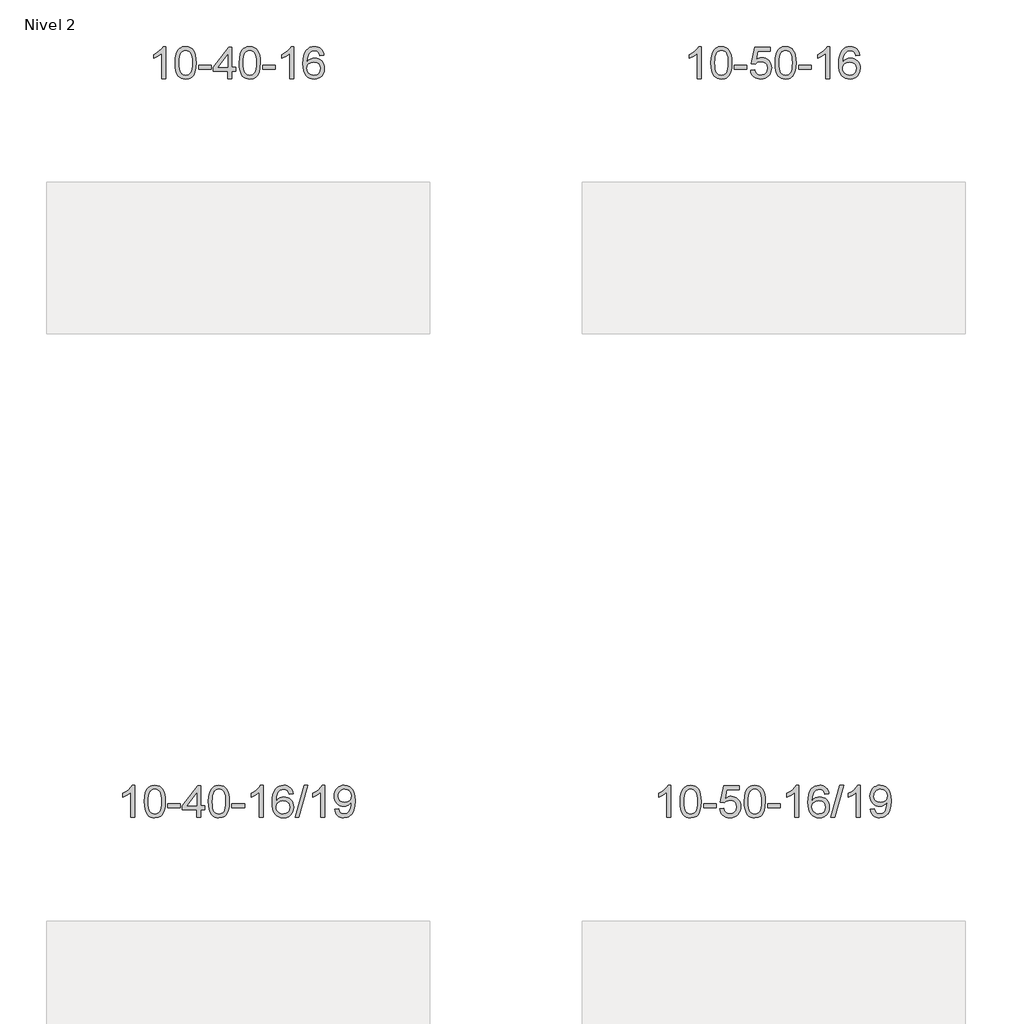
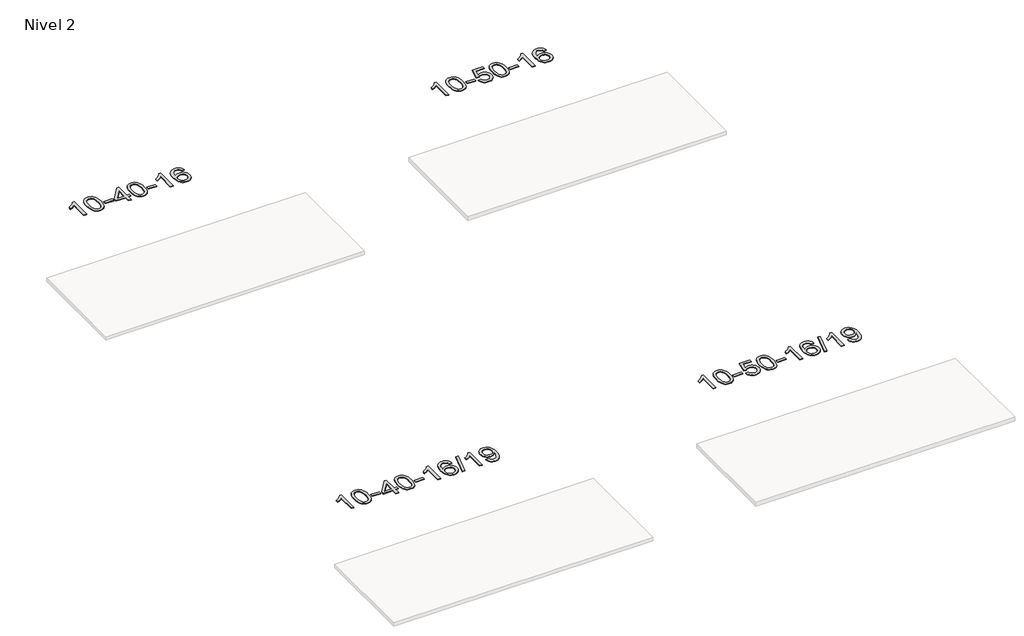
# One storey, part 4 of 51: 4 proxies.
"""IFC4 building model written with IfcOpenShell, lengths in millimetres."""

from ifc_helpers import new_model, si_unit, frame, origin, place, context, project, spatial, polyline, outline, extrude, element, save

model = new_model("IFC4")

# Units and contexts
model_context = context("Model", 3, world=origin())
ifc_project = project(units=[si_unit("LENGTHUNIT", "METRE", prefix="MILLI")], contexts=[model_context])

# Site, building, storey
site = spatial("IfcSite", under=ifc_project)
building = spatial("IfcBuilding", under=site)
storey = spatial("IfcBuildingStorey", under=building, Name="Nivel 2", Elevation=3000.0)

# Proxies
placement = place(None, origin())
element("IfcBuildingElementProxy", 1, Name="Texto de modelo 1", ObjectType="Texto de modelo 1", at=placement, inside=storey, context=model_context, shape_type="SweptSolid", body=[
    extrude(outline(polyline([(-8605.2655998, -130180.5895642), (-8655.4937549, -130180.5895642), (-8655.4937549, -129867.4484099), (-8676.4630286, -129884.4077699), (-8703.0731596, -129901.3426044), (-8755.950065, -129926.7019366), (-8755.950065, -129879.2206338), (-8716.5008524, -129857.7608507), (-8682.3246151, -129832.2298403), (-8655.3833903, -129805.080149), (-8637.6392154, -129778.7643236), (-8605.2655998, -129778.7643236), (-8605.2655998, -130180.5895642)])), frame((0.0, 0.0, 3000.0), z_axis=(0.0, 0.0, 1.0), x_axis=(1.0, 0.0, 0.0)), (0.0, 0.0, 1.0), 10.0),
    extrude(outline(polyline([(-8485.9737315, -129982.9143055), (-8482.2826488, -129918.59627), (-8471.2094008, -129867.3012571), (-8452.8643519, -129828.244452), (-8441.006289, -129813.0110717), (-8427.357867, -129800.6410396), (-8411.8731006, -129791.0699764), (-8394.5060048, -129784.2335026), (-8354.1248244, -129778.7643236), (-8323.1736859, -129782.0016852), (-8295.4599089, -129791.7137699), (-8272.2833433, -129807.5204329), (-8254.9438385, -129829.0415296), (-8241.8472395, -129856.093119), (-8231.3993909, -129888.4912601), (-8224.5567857, -129929.6327299), (-8222.2759174, -129982.9143055), (-8225.9302119, -130046.864459), (-8236.8930953, -130098.0368445), (-8255.1277795, -130137.1304379), (-8266.9582514, -130152.4098034), (-8280.5974763, -130164.8442148), (-8296.1006368, -130174.4796574), (-8313.5229149, -130181.3621164), (-8354.1248244, -130186.8680836), (-8381.7895505, -130184.4768507), (-8406.3150168, -130177.3031517), (-8427.7012235, -130165.3469869), (-8445.9481704, -130148.6083561), (-8463.4593534, -130118.350062), (-8475.9673412, -130080.6482889), (-8483.4721339, -130035.5030367), (-8485.9737315, -129982.9143055)]), holes=[polyline([(-8435.7455764, -129982.8162036), (-8434.2740485, -130026.4807308), (-8429.8594645, -130061.8249935), (-8422.5018246, -130088.8489917), (-8412.2011287, -130107.5527255), (-8399.7421918, -130120.2783768), (-8385.9098288, -130129.3681278), (-8370.7040397, -130134.8219784), (-8354.1248244, -130136.6399285), (-8337.5456092, -130134.815847), (-8322.3398201, -130129.3436023), (-8308.507457, -130120.2231945), (-8296.0485201, -130107.4546236), (-8285.7478243, -130088.720233), (-8278.3901844, -130061.7023661), (-8273.9756004, -130026.401023), (-8272.5040724, -129982.8162036), (-8273.9265495, -129940.3074391), (-8278.1939806, -129905.5855101), (-8285.3063659, -129878.6504167), (-8295.2637052, -129859.5021588), (-8307.5141757, -129846.1541738), (-8321.5059542, -129836.6198987), (-8337.2390409, -129830.8993337), (-8354.7134356, -129828.9924787), (-8371.2068118, -129830.6724732), (-8386.1550835, -129835.7124565), (-8399.5582508, -129844.1124287), (-8411.4163138, -129855.8723898), (-8422.0603662, -129876.7190362), (-8429.6632608, -129904.8252207), (-8434.2249975, -129940.1909431), (-8435.7455764, -129982.8162036)])]), frame((0.0, 0.0, 3000.0), z_axis=(0.0, 0.0, 1.0), x_axis=(1.0, 0.0, 0.0)), (0.0, 0.0, 1.0), 10.0),
    extrude(outline(polyline([(-8190.8833205, -130061.2976959), (-8190.8833205, -130011.0695409), (-8033.9203358, -130011.0695409), (-8033.9203358, -130061.2976959), (-8190.8833205, -130061.2976959)])), frame((0.0, 0.0, 3000.0), z_axis=(0.0, 0.0, 1.0), x_axis=(1.0, 0.0, 0.0)), (0.0, 0.0, 1.0), 10.0),
    extrude(outline(polyline([(-7826.7291962, -130180.5895642), (-7826.7291962, -130086.4117735), (-8008.8062583, -130086.4117735), (-8008.8062583, -130036.1836184), (-7814.1721574, -129785.042843), (-7776.5010411, -129785.042843), (-7776.5010411, -130036.1836184), (-7726.272886, -130036.1836184), (-7726.272886, -130086.4117735), (-7776.5010411, -130086.4117735), (-7776.5010411, -130180.5895642), (-7826.7291962, -130180.5895642)]), holes=[polyline([(-7826.7291962, -130036.1836184), (-7826.7291962, -129880.9864674), (-7947.0020831, -130036.1836184), (-7826.7291962, -130036.1836184)])]), frame((0.0, 0.0, 3000.0), z_axis=(0.0, 0.0, 1.0), x_axis=(1.0, 0.0, 0.0)), (0.0, 0.0, 1.0), 10.0),
    extrude(outline(polyline([(-7682.3232503, -129982.9143055), (-7678.6321676, -129918.59627), (-7667.5589196, -129867.3012571), (-7649.2138708, -129828.244452), (-7637.3558078, -129813.0110717), (-7623.7073858, -129800.6410396), (-7608.2226194, -129791.0699764), (-7590.8555236, -129784.2335026), (-7550.4743432, -129778.7643236), (-7519.5232047, -129782.0016852), (-7491.8094277, -129791.7137699), (-7468.6328621, -129807.5204329), (-7451.2933573, -129829.0415296), (-7438.1967583, -129856.093119), (-7427.7489097, -129888.4912601), (-7420.9063045, -129929.6327299), (-7418.6254362, -129982.9143055), (-7422.2797307, -130046.864459), (-7433.2426141, -130098.0368445), (-7451.4772983, -130137.1304379), (-7463.3077702, -130152.4098034), (-7476.9469951, -130164.8442148), (-7492.4501556, -130174.4796574), (-7509.8724337, -130181.3621164), (-7550.4743432, -130186.8680836), (-7578.1390693, -130184.4768507), (-7602.6645356, -130177.3031517), (-7624.0507423, -130165.3469869), (-7642.2976892, -130148.6083561), (-7659.8088722, -130118.350062), (-7672.31686, -130080.6482889), (-7679.8216528, -130035.5030367), (-7682.3232503, -129982.9143055)]), holes=[polyline([(-7632.0950952, -129982.8162036), (-7630.6235673, -130026.4807308), (-7626.2089833, -130061.8249935), (-7618.8513434, -130088.8489917), (-7608.5506476, -130107.5527255), (-7596.0917106, -130120.2783768), (-7582.2593476, -130129.3681278), (-7567.0535585, -130134.8219784), (-7550.4743432, -130136.6399285), (-7533.895128, -130134.815847), (-7518.6893389, -130129.3436023), (-7504.8569758, -130120.2231945), (-7492.3980389, -130107.4546236), (-7482.0973431, -130088.720233), (-7474.7397032, -130061.7023661), (-7470.3251192, -130026.401023), (-7468.8535913, -129982.8162036), (-7470.2760683, -129940.3074391), (-7474.5434994, -129905.5855101), (-7481.6558847, -129878.6504167), (-7491.613224, -129859.5021588), (-7503.8636945, -129846.1541738), (-7517.855473, -129836.6198987), (-7533.5885597, -129830.8993337), (-7551.0629544, -129828.9924787), (-7567.5563306, -129830.6724732), (-7582.5046023, -129835.7124565), (-7595.9077697, -129844.1124287), (-7607.7658326, -129855.8723898), (-7618.409885, -129876.7190362), (-7626.0127796, -129904.8252207), (-7630.5745163, -129940.1909431), (-7632.0950952, -129982.8162036)])]), frame((0.0, 0.0, 3000.0), z_axis=(0.0, 0.0, 1.0), x_axis=(1.0, 0.0, 0.0)), (0.0, 0.0, 1.0), 10.0),
    extrude(outline(polyline([(-7387.2328393, -130061.2976959), (-7387.2328393, -130011.0695409), (-7230.2698546, -130011.0695409), (-7230.2698546, -130061.2976959), (-7387.2328393, -130061.2976959)])), frame((0.0, 0.0, 3000.0), z_axis=(0.0, 0.0, 1.0), x_axis=(1.0, 0.0, 0.0)), (0.0, 0.0, 1.0), 10.0),
    extrude(outline(polyline([(-6997.9646374, -130180.5895642), (-7048.1927925, -130180.5895642), (-7048.1927925, -129867.4484099), (-7069.1620662, -129884.4077699), (-7095.7721972, -129901.3426044), (-7148.6491026, -129926.7019366), (-7148.6491026, -129879.2206338), (-7109.19989, -129857.7608507), (-7075.0236527, -129832.2298403), (-7048.0824279, -129805.080149), (-7030.338253, -129778.7643236), (-6997.9646374, -129778.7643236), (-6997.9646374, -130180.5895642)])), frame((0.0, 0.0, 3000.0), z_axis=(0.0, 0.0, 1.0), x_axis=(1.0, 0.0, 0.0)), (0.0, 0.0, 1.0), 10.0),
    extrude(outline(polyline([(-6621.2534744, -129885.4991532), (-6671.4816294, -129891.7776726), (-6679.5750333, -129866.8843242), (-6690.5133913, -129849.888176), (-6713.2975496, -129834.216403), (-6740.8396483, -129828.9924787), (-6764.1878922, -129832.0336365), (-6786.1627101, -129841.15711), (-6805.0350564, -129860.3728129), (-6820.449312, -129886.8235284), (-6830.8603725, -129924.2371273), (-6834.7231334, -129976.3414805), (-6814.5754628, -129952.833821), (-6790.4301412, -129936.2668685), (-6763.6360692, -129926.4444192), (-6735.5421475, -129923.1702695), (-6711.4090886, -129925.4082183), (-6689.1399652, -129932.1220647), (-6668.7347772, -129943.3118087), (-6650.1935247, -129958.9774503), (-6634.7854004, -129978.1870219), (-6623.7795974, -130000.0085555), (-6617.1761156, -130024.4420514), (-6614.974955, -130051.4875094), (-6619.1197588, -130087.4541058), (-6631.5541702, -130120.7964773), (-6651.2481197, -130149.07434), (-6677.1715376, -130169.84741), (-6708.1472016, -130182.6129152), (-6742.9978893, -130186.8680836), (-6772.940418, -130184.047655), (-6799.9828104, -130175.5863691), (-6824.1250663, -130161.484226), (-6845.3671858, -130141.7412255), (-6862.6852307, -130115.523502), (-6875.0552628, -130081.9971895), (-6882.4772821, -130041.1622881), (-6884.9512885, -129993.0187976), (-6882.2044363, -129939.0443776), (-6873.9638796, -129892.9794204), (-6860.2296184, -129854.8239261), (-6841.0016528, -129824.5778948), (-6820.1611378, -129804.5344574), (-6795.9974221, -129790.2177164), (-6768.5105057, -129781.6276718), (-6737.7003886, -129778.7643236), (-6714.5667424, -129780.5362886), (-6693.6281255, -129785.8521834), (-6674.8845379, -129794.7120081), (-6658.3359795, -129807.1157627), (-6644.4300401, -129822.6465143), (-6633.6143094, -129840.8873299), (-6625.8887875, -129861.8382095), (-6621.2534744, -129885.4991532)]), holes=[polyline([(-6834.7231334, -130050.7026945), (-6831.8168657, -130072.9595552), (-6823.0980624, -130094.2108718), (-6809.560005, -130112.4823442), (-6792.1959748, -130125.7996724), (-6771.2389638, -130133.9298645), (-6746.9219639, -130136.6399285), (-6713.7757962, -130131.0235968), (-6699.8606597, -130124.003182), (-6687.7174882, -130114.1746014), (-6677.8674477, -130101.9363937), (-6670.8317046, -130087.6870977), (-6665.2031101, -130053.1552411), (-6670.7581282, -130020.0090733), (-6677.7019008, -130006.3882425), (-6687.4231826, -129994.7355803), (-6699.6031423, -129985.4005746), (-6713.9229489, -129978.7327135), (-6748.9821031, -129973.3984246), (-6782.0792199, -129978.7327135), (-6809.7562087, -129994.7355803), (-6820.6792383, -130006.2349583), (-6828.4814022, -130019.3959367), (-6833.1627006, -130034.2185154), (-6834.7231334, -130050.7026945)])]), frame((0.0, 0.0, 3000.0), z_axis=(0.0, 0.0, 1.0), x_axis=(1.0, 0.0, 0.0)), (0.0, 0.0, 1.0), 10.0),
])
element("IfcBuildingElementProxy", 2, Name="Texto de modelo 1", ObjectType="Texto de modelo 1", at=placement, inside=storey, context=model_context, shape_type="SweptSolid", body=[
    extrude(outline(polyline([(-1890.325065, -130180.5895642), (-1940.5532201, -130180.5895642), (-1940.5532201, -129867.4484099), (-1961.5224938, -129884.4077699), (-1988.1326248, -129901.3426044), (-2041.0095302, -129926.7019366), (-2041.0095302, -129879.2206338), (-2001.5603176, -129857.7608507), (-1967.3840803, -129832.2298403), (-1940.4428555, -129805.080149), (-1922.6986806, -129778.7643236), (-1890.325065, -129778.7643236), (-1890.325065, -130180.5895642)])), frame((0.0, 0.0, 3000.0), z_axis=(0.0, 0.0, 1.0), x_axis=(1.0, 0.0, 0.0)), (0.0, 0.0, 1.0), 10.0),
    extrude(outline(polyline([(-1771.0331967, -129982.9143055), (-1767.342114, -129918.59627), (-1756.268866, -129867.3012571), (-1737.9238171, -129828.244452), (-1726.0657541, -129813.0110717), (-1712.4173321, -129800.6410396), (-1696.9325658, -129791.0699764), (-1679.56547, -129784.2335026), (-1639.1842896, -129778.7643236), (-1608.2331511, -129782.0016852), (-1580.5193741, -129791.7137699), (-1557.3428084, -129807.5204329), (-1540.0033037, -129829.0415296), (-1526.9067047, -129856.093119), (-1516.458856, -129888.4912601), (-1509.6162509, -129929.6327299), (-1507.3353825, -129982.9143055), (-1510.989677, -130046.864459), (-1521.9525605, -130098.0368445), (-1540.1872447, -130137.1304379), (-1552.0177165, -130152.4098034), (-1565.6569415, -130164.8442148), (-1581.1601019, -130174.4796574), (-1598.5823801, -130181.3621164), (-1639.1842896, -130186.8680836), (-1666.8490157, -130184.4768507), (-1691.374482, -130177.3031517), (-1712.7606887, -130165.3469869), (-1731.0076356, -130148.6083561), (-1748.5188186, -130118.350062), (-1761.0268064, -130080.6482889), (-1768.5315991, -130035.5030367), (-1771.0331967, -129982.9143055)]), holes=[polyline([(-1720.8050416, -129982.8162036), (-1719.3335136, -130026.4807308), (-1714.9189297, -130061.8249935), (-1707.5612898, -130088.8489917), (-1697.2605939, -130107.5527255), (-1684.801657, -130120.2783768), (-1670.969294, -130129.3681278), (-1655.7635049, -130134.8219784), (-1639.1842896, -130136.6399285), (-1622.6050744, -130134.815847), (-1607.3992852, -130129.3436023), (-1593.5669222, -130120.2231945), (-1581.1079853, -130107.4546236), (-1570.8072894, -130088.720233), (-1563.4496495, -130061.7023661), (-1559.0350656, -130026.401023), (-1557.5635376, -129982.8162036), (-1558.9860147, -129940.3074391), (-1563.2534458, -129905.5855101), (-1570.3658311, -129878.6504167), (-1580.3231704, -129859.5021588), (-1592.5736408, -129846.1541738), (-1606.5654194, -129836.6198987), (-1622.298506, -129830.8993337), (-1639.7729008, -129828.9924787), (-1656.2662769, -129830.6724732), (-1671.2145487, -129835.7124565), (-1684.617716, -129844.1124287), (-1696.475779, -129855.8723898), (-1707.1198314, -129876.7190362), (-1714.722726, -129904.8252207), (-1719.2844627, -129940.1909431), (-1720.8050416, -129982.8162036)])]), frame((0.0, 0.0, 3000.0), z_axis=(0.0, 0.0, 1.0), x_axis=(1.0, 0.0, 0.0)), (0.0, 0.0, 1.0), 10.0),
    extrude(outline(polyline([(-1475.9427856, -130061.2976959), (-1475.9427856, -130011.0695409), (-1318.979801, -130011.0695409), (-1318.979801, -130061.2976959), (-1475.9427856, -130061.2976959)])), frame((0.0, 0.0, 3000.0), z_axis=(0.0, 0.0, 1.0), x_axis=(1.0, 0.0, 0.0)), (0.0, 0.0, 1.0), 10.0),
    extrude(outline(polyline([(-1275.0301653, -130073.8547347), (-1224.8020103, -130067.5762153), (-1215.5804349, -130097.7302762), (-1199.491729, -130119.3249493), (-1176.6094689, -130132.3111837), (-1147.007231, -130136.6399285), (-1127.8773673, -130135.1346781), (-1111.0038464, -130130.6189266), (-1096.3866685, -130123.0926741), (-1084.0258334, -130112.5559206), (-1074.1972528, -130099.5298323), (-1067.1768381, -130084.5355753), (-1061.5605063, -130048.6425553), (-1066.8212188, -130014.8464627), (-1073.3971095, -130000.9282605), (-1082.6033564, -129988.9966211), (-1094.4706164, -129979.4255579), (-1109.0295464, -129972.5890842), (-1146.2224161, -129967.1199052), (-1170.5884669, -129969.3026717), (-1190.3192046, -129975.8509712), (-1206.0768167, -129985.8818869), (-1218.5234909, -129998.5125021), (-1268.7516459, -129992.2339827), (-1224.8020103, -129785.042843), (-1030.1679093, -129785.042843), (-1030.1679093, -129835.2709981), (-1184.187838, -129835.2709981), (-1205.6721465, -129945.9299022), (-1187.9463657, -129933.2257107), (-1169.7913892, -129924.1512881), (-1151.2072171, -129918.7066346), (-1132.1938493, -129916.8917501), (-1107.7327623, -129919.1419616), (-1085.2643695, -129925.8925962), (-1064.7886708, -129937.1436539), (-1046.3056662, -129952.8951347), (-1031.0048409, -129972.184414), (-1020.0756799, -129994.0488672), (-1013.5181834, -130018.4884944), (-1011.3323512, -130045.5032956), (-1013.3005199, -130071.5248154), (-1019.2050259, -130095.7314507), (-1029.0458693, -130118.1232015), (-1042.82305, -130138.7000677), (-1063.6942218, -130159.7735747), (-1088.0480099, -130174.8260796), (-1115.8844142, -130183.8575826), (-1147.2034347, -130186.8680836), (-1173.123787, -130184.9336375), (-1196.5364103, -130179.130299), (-1217.4413047, -130169.4580682), (-1235.8384701, -130155.9169451), (-1251.1454268, -130139.18138), (-1262.7796949, -130119.9258232), (-1270.7412744, -130098.1502748), (-1275.0301653, -130073.8547347)])), frame((0.0, 0.0, 3000.0), z_axis=(0.0, 0.0, 1.0), x_axis=(1.0, 0.0, 0.0)), (0.0, 0.0, 1.0), 10.0),
    extrude(outline(polyline([(-967.3827155, -129982.9143055), (-963.6916328, -129918.59627), (-952.6183848, -129867.3012571), (-934.2733359, -129828.244452), (-922.415273, -129813.0110717), (-908.7668509, -129800.6410396), (-893.2820846, -129791.0699764), (-875.9149888, -129784.2335026), (-835.5338084, -129778.7643236), (-804.5826699, -129782.0016852), (-776.8688929, -129791.7137699), (-753.6923272, -129807.5204329), (-736.3528225, -129829.0415296), (-723.2562235, -129856.093119), (-712.8083748, -129888.4912601), (-705.9657697, -129929.6327299), (-703.6849014, -129982.9143055), (-707.3391958, -130046.864459), (-718.3020793, -130098.0368445), (-736.5367635, -130137.1304379), (-748.3672353, -130152.4098034), (-762.0064603, -130164.8442148), (-777.5096207, -130174.4796574), (-794.9318989, -130181.3621164), (-835.5338084, -130186.8680836), (-863.1985345, -130184.4768507), (-887.7240008, -130177.3031517), (-909.1102075, -130165.3469869), (-927.3571544, -130148.6083561), (-944.8683374, -130118.350062), (-957.3763252, -130080.6482889), (-964.8811179, -130035.5030367), (-967.3827155, -129982.9143055)]), holes=[polyline([(-917.1545604, -129982.8162036), (-915.6830324, -130026.4807308), (-911.2684485, -130061.8249935), (-903.9108086, -130088.8489917), (-893.6101127, -130107.5527255), (-881.1511758, -130120.2783768), (-867.3188128, -130129.3681278), (-852.1130237, -130134.8219784), (-835.5338084, -130136.6399285), (-818.9545932, -130134.815847), (-803.748804, -130129.3436023), (-789.916441, -130120.2231945), (-777.4575041, -130107.4546236), (-767.1568083, -130088.720233), (-759.7991683, -130061.7023661), (-755.3845844, -130026.401023), (-753.9130564, -129982.8162036), (-755.3355335, -129940.3074391), (-759.6029646, -129905.5855101), (-766.7153499, -129878.6504167), (-776.6726892, -129859.5021588), (-788.9231596, -129846.1541738), (-802.9149382, -129836.6198987), (-818.6480248, -129830.8993337), (-836.1224196, -129828.9924787), (-852.6157957, -129830.6724732), (-867.5640675, -129835.7124565), (-880.9672348, -129844.1124287), (-892.8252978, -129855.8723898), (-903.4693502, -129876.7190362), (-911.0722448, -129904.8252207), (-915.6339815, -129940.1909431), (-917.1545604, -129982.8162036)])]), frame((0.0, 0.0, 3000.0), z_axis=(0.0, 0.0, 1.0), x_axis=(1.0, 0.0, 0.0)), (0.0, 0.0, 1.0), 10.0),
    extrude(outline(polyline([(-672.2923044, -130061.2976959), (-672.2923044, -130011.0695409), (-515.3293198, -130011.0695409), (-515.3293198, -130061.2976959), (-672.2923044, -130061.2976959)])), frame((0.0, 0.0, 3000.0), z_axis=(0.0, 0.0, 1.0), x_axis=(1.0, 0.0, 0.0)), (0.0, 0.0, 1.0), 10.0),
    extrude(outline(polyline([(-283.0241026, -130180.5895642), (-333.2522577, -130180.5895642), (-333.2522577, -129867.4484099), (-354.2215314, -129884.4077699), (-380.8316624, -129901.3426044), (-433.7085678, -129926.7019366), (-433.7085678, -129879.2206338), (-394.2593552, -129857.7608507), (-360.0831179, -129832.2298403), (-333.1418931, -129805.080149), (-315.3977182, -129778.7643236), (-283.0241026, -129778.7643236), (-283.0241026, -130180.5895642)])), frame((0.0, 0.0, 3000.0), z_axis=(0.0, 0.0, 1.0), x_axis=(1.0, 0.0, 0.0)), (0.0, 0.0, 1.0), 10.0),
    extrude(outline(polyline([(93.6870605, -129885.4991532), (43.4589054, -129891.7776726), (35.3655015, -129866.8843242), (24.4271435, -129849.888176), (1.6429853, -129834.216403), (-25.8991134, -129828.9924787), (-49.2473574, -129832.0336365), (-71.2221752, -129841.15711), (-90.0945216, -129860.3728129), (-105.5087772, -129886.8235284), (-115.9198377, -129924.2371273), (-119.7825986, -129976.3414805), (-99.634928, -129952.833821), (-75.4896064, -129936.2668685), (-48.6955344, -129926.4444192), (-20.6016127, -129923.1702695), (3.5314462, -129925.4082183), (25.8005696, -129932.1220647), (46.2057576, -129943.3118087), (64.7470102, -129958.9774503), (80.1551344, -129978.1870219), (91.1609374, -130000.0085555), (97.7644192, -130024.4420514), (99.9655798, -130051.4875094), (95.820776, -130087.4541058), (83.3863646, -130120.7964773), (63.6924151, -130149.07434), (37.7689972, -130169.84741), (6.7933332, -130182.6129152), (-28.0573545, -130186.8680836), (-57.9998832, -130184.047655), (-85.0422755, -130175.5863691), (-109.1845315, -130161.484226), (-130.426651, -130141.7412255), (-147.7446959, -130115.523502), (-160.114728, -130081.9971895), (-167.5367473, -130041.1622881), (-170.0107537, -129993.0187976), (-167.2639015, -129939.0443776), (-159.0233448, -129892.9794204), (-145.2890836, -129854.8239261), (-126.061118, -129824.5778948), (-105.220603, -129804.5344574), (-81.0568872, -129790.2177164), (-53.5699708, -129781.6276718), (-22.7598537, -129778.7643236), (0.3737924, -129780.5362886), (21.3124093, -129785.8521834), (40.0559969, -129794.7120081), (56.6045553, -129807.1157627), (70.5104948, -129822.6465143), (81.3262254, -129840.8873299), (89.0517473, -129861.8382095), (93.6870605, -129885.4991532)]), holes=[polyline([(-119.7825986, -130050.7026945), (-116.8763308, -130072.9595552), (-108.1575276, -130094.2108718), (-94.6194701, -130112.4823442), (-77.25544, -130125.7996724), (-56.298429, -130133.9298645), (-31.9814291, -130136.6399285), (1.1647387, -130131.0235968), (15.0798751, -130124.003182), (27.2230467, -130114.1746014), (37.0730871, -130101.9363937), (44.1088302, -130087.6870977), (49.7374248, -130053.1552411), (44.1824066, -130020.0090733), (37.238634, -130006.3882425), (27.5173523, -129994.7355803), (15.3373925, -129985.4005746), (1.0175859, -129978.7327135), (-34.0415683, -129973.3984246), (-67.1386851, -129978.7327135), (-94.8156739, -129994.7355803), (-105.7387034, -130006.2349583), (-113.5408674, -130019.3959367), (-118.2221658, -130034.2185154), (-119.7825986, -130050.7026945)])]), frame((0.0, 0.0, 3000.0), z_axis=(0.0, 0.0, 1.0), x_axis=(1.0, 0.0, 0.0)), (0.0, 0.0, 1.0), 10.0),
])
element("IfcBuildingElementProxy", 3, Name="Texto de modelo 1", ObjectType="Texto de modelo 1", at=placement, inside=storey, context=model_context, shape_type="SweptSolid", body=[
    extrude(outline(polyline([(-8991.394542, -139438.9702671), (-9041.622697, -139438.9702671), (-9041.622697, -139125.8291128), (-9062.5919708, -139142.7884728), (-9089.2021017, -139159.7233073), (-9142.0790072, -139185.0826395), (-9142.0790072, -139137.6013367), (-9102.6297946, -139116.1415536), (-9068.4535572, -139090.6105432), (-9041.5123324, -139063.4608519), (-9023.7681575, -139037.1450265), (-8991.394542, -139037.1450265), (-8991.394542, -139438.9702671)])), frame((0.0, 0.0, 3000.0), z_axis=(0.0, 0.0, 1.0), x_axis=(1.0, 0.0, 0.0)), (0.0, 0.0, 1.0), 10.0),
    extrude(outline(polyline([(-8872.1026737, -139241.2950084), (-8868.411591, -139176.9769729), (-8857.3383429, -139125.68196), (-8838.9932941, -139086.6251549), (-8827.1352311, -139071.3917746), (-8813.4868091, -139059.0217425), (-8798.0020428, -139049.4506793), (-8780.6349469, -139042.6142055), (-8740.2537666, -139037.1450265), (-8709.3026281, -139040.3823881), (-8681.5888511, -139050.0944728), (-8658.4122854, -139065.9011358), (-8641.0727807, -139087.4222325), (-8627.9761817, -139114.4738219), (-8617.528333, -139146.871963), (-8610.6857279, -139188.0134328), (-8608.4048595, -139241.2950084), (-8612.059154, -139305.2451619), (-8623.0220375, -139356.4175474), (-8641.2567217, -139395.5111408), (-8653.0871935, -139410.7905063), (-8666.7264185, -139423.2249177), (-8682.2295789, -139432.8603603), (-8699.651857, -139439.7428193), (-8740.2537666, -139445.2487865), (-8767.9184926, -139442.8575536), (-8792.443959, -139435.6838546), (-8813.8301656, -139423.7276898), (-8832.0771126, -139406.989059), (-8849.5882955, -139376.7307649), (-8862.0962834, -139339.0289918), (-8869.6010761, -139293.8837396), (-8872.1026737, -139241.2950084)]), holes=[polyline([(-8821.8745186, -139241.1969065), (-8820.4029906, -139284.8614337), (-8815.9884067, -139320.2056964), (-8808.6307668, -139347.2296946), (-8798.3300709, -139365.9334284), (-8785.871134, -139378.6590797), (-8772.038771, -139387.7488307), (-8756.8329818, -139393.2026813), (-8740.2537666, -139395.0206314), (-8723.6745513, -139393.1965499), (-8708.4687622, -139387.7243052), (-8694.6363992, -139378.6038974), (-8682.1774623, -139365.8353265), (-8671.8767664, -139347.1009359), (-8664.5191265, -139320.083069), (-8660.1045426, -139284.7817259), (-8658.6330146, -139241.1969065), (-8660.0554916, -139198.688142), (-8664.3229228, -139163.966213), (-8671.435308, -139137.0311196), (-8681.3926474, -139117.8828617), (-8693.6431178, -139104.5348767), (-8707.6348963, -139095.0006016), (-8723.367983, -139089.2800366), (-8740.8423778, -139087.3731816), (-8757.3357539, -139089.0531761), (-8772.2840256, -139094.0931594), (-8785.687193, -139102.4931316), (-8797.545256, -139114.2530927), (-8808.1893084, -139135.0997391), (-8815.7922029, -139163.2059236), (-8820.3539397, -139198.571646), (-8821.8745186, -139241.1969065)])]), frame((0.0, 0.0, 3000.0), z_axis=(0.0, 0.0, 1.0), x_axis=(1.0, 0.0, 0.0)), (0.0, 0.0, 1.0), 10.0),
    extrude(outline(polyline([(-8577.0122626, -139319.6783988), (-8577.0122626, -139269.4502438), (-8420.049278, -139269.4502438), (-8420.049278, -139319.6783988), (-8577.0122626, -139319.6783988)])), frame((0.0, 0.0, 3000.0), z_axis=(0.0, 0.0, 1.0), x_axis=(1.0, 0.0, 0.0)), (0.0, 0.0, 1.0), 10.0),
    extrude(outline(polyline([(-8212.8581383, -139438.9702671), (-8212.8581383, -139344.7924764), (-8394.9352004, -139344.7924764), (-8394.9352004, -139294.5643213), (-8200.3010995, -139043.4235459), (-8162.6299832, -139043.4235459), (-8162.6299832, -139294.5643213), (-8112.4018281, -139294.5643213), (-8112.4018281, -139344.7924764), (-8162.6299832, -139344.7924764), (-8162.6299832, -139438.9702671), (-8212.8581383, -139438.9702671)]), holes=[polyline([(-8212.8581383, -139294.5643213), (-8212.8581383, -139139.3671703), (-8333.1310253, -139294.5643213), (-8212.8581383, -139294.5643213)])]), frame((0.0, 0.0, 3000.0), z_axis=(0.0, 0.0, 1.0), x_axis=(1.0, 0.0, 0.0)), (0.0, 0.0, 1.0), 10.0),
    extrude(outline(polyline([(-8068.4521925, -139241.2950084), (-8064.7611098, -139176.9769729), (-8053.6878617, -139125.68196), (-8035.3428129, -139086.6251549), (-8023.4847499, -139071.3917746), (-8009.8363279, -139059.0217425), (-7994.3515616, -139049.4506793), (-7976.9844657, -139042.6142055), (-7936.6032854, -139037.1450265), (-7905.6521469, -139040.3823881), (-7877.9383699, -139050.0944728), (-7854.7618042, -139065.9011358), (-7837.4222995, -139087.4222325), (-7824.3257005, -139114.4738219), (-7813.8778518, -139146.871963), (-7807.0352467, -139188.0134328), (-7804.7543783, -139241.2950084), (-7808.4086728, -139305.2451619), (-7819.3715563, -139356.4175474), (-7837.6062405, -139395.5111408), (-7849.4367123, -139410.7905063), (-7863.0759373, -139423.2249177), (-7878.5790977, -139432.8603603), (-7896.0013759, -139439.7428193), (-7936.6032854, -139445.2487865), (-7964.2680114, -139442.8575536), (-7988.7934778, -139435.6838546), (-8010.1796844, -139423.7276898), (-8028.4266314, -139406.989059), (-8045.9378144, -139376.7307649), (-8058.4458022, -139339.0289918), (-8065.9505949, -139293.8837396), (-8068.4521925, -139241.2950084)]), holes=[polyline([(-8018.2240374, -139241.1969065), (-8016.7525094, -139284.8614337), (-8012.3379255, -139320.2056964), (-8004.9802856, -139347.2296946), (-7994.6795897, -139365.9334284), (-7982.2206528, -139378.6590797), (-7968.3882898, -139387.7488307), (-7953.1825006, -139393.2026813), (-7936.6032854, -139395.0206314), (-7920.0240701, -139393.1965499), (-7904.818281, -139387.7243052), (-7890.985918, -139378.6038974), (-7878.5269811, -139365.8353265), (-7868.2262852, -139347.1009359), (-7860.8686453, -139320.083069), (-7856.4540614, -139284.7817259), (-7854.9825334, -139241.1969065), (-7856.4050104, -139198.688142), (-7860.6724416, -139163.966213), (-7867.7848268, -139137.0311196), (-7877.7421662, -139117.8828617), (-7889.9926366, -139104.5348767), (-7903.9844151, -139095.0006016), (-7919.7175018, -139089.2800366), (-7937.1918966, -139087.3731816), (-7953.6852727, -139089.0531761), (-7968.6335444, -139094.0931594), (-7982.0367118, -139102.4931316), (-7993.8947748, -139114.2530927), (-8004.5388272, -139135.0997391), (-8012.1417217, -139163.2059236), (-8016.7034585, -139198.571646), (-8018.2240374, -139241.1969065)])]), frame((0.0, 0.0, 3000.0), z_axis=(0.0, 0.0, 1.0), x_axis=(1.0, 0.0, 0.0)), (0.0, 0.0, 1.0), 10.0),
    extrude(outline(polyline([(-7773.3617814, -139319.6783988), (-7773.3617814, -139269.4502438), (-7616.3987968, -139269.4502438), (-7616.3987968, -139319.6783988), (-7773.3617814, -139319.6783988)])), frame((0.0, 0.0, 3000.0), z_axis=(0.0, 0.0, 1.0), x_axis=(1.0, 0.0, 0.0)), (0.0, 0.0, 1.0), 10.0),
    extrude(outline(polyline([(-7384.0935796, -139438.9702671), (-7434.3217346, -139438.9702671), (-7434.3217346, -139125.8291128), (-7455.2910084, -139142.7884728), (-7481.9011393, -139159.7233073), (-7534.7780448, -139185.0826395), (-7534.7780448, -139137.6013367), (-7495.3288322, -139116.1415536), (-7461.1525948, -139090.6105432), (-7434.21137, -139063.4608519), (-7416.4671951, -139037.1450265), (-7384.0935796, -139037.1450265), (-7384.0935796, -139438.9702671)])), frame((0.0, 0.0, 3000.0), z_axis=(0.0, 0.0, 1.0), x_axis=(1.0, 0.0, 0.0)), (0.0, 0.0, 1.0), 10.0),
    extrude(outline(polyline([(-7007.3824165, -139143.8798561), (-7057.6105716, -139150.1583755), (-7065.7039755, -139125.2650271), (-7076.6423335, -139108.2688789), (-7099.4264917, -139092.5971059), (-7126.9685904, -139087.3731816), (-7150.3168344, -139090.4143394), (-7172.2916522, -139099.5378129), (-7191.1639986, -139118.7535158), (-7206.5782542, -139145.2042313), (-7216.9893146, -139182.6178302), (-7220.8520756, -139234.7221834), (-7200.704405, -139211.2145239), (-7176.5590833, -139194.6475714), (-7149.7650114, -139184.8251221), (-7121.6710897, -139181.5509724), (-7097.5380308, -139183.7889212), (-7075.2689073, -139190.5027676), (-7054.8637193, -139201.6925116), (-7036.3224668, -139217.3581532), (-7020.9143426, -139236.5677248), (-7009.9085395, -139258.3892584), (-7003.3050577, -139282.8227543), (-7001.1038971, -139309.8682123), (-7005.2487009, -139345.8348087), (-7017.6831124, -139379.1771802), (-7037.3770618, -139407.4550429), (-7063.3004798, -139428.2281129), (-7094.2761438, -139440.9936181), (-7129.1268314, -139445.2487865), (-7159.0693602, -139442.4283579), (-7186.1117525, -139433.967072), (-7210.2540084, -139419.8649289), (-7231.496128, -139400.1219284), (-7248.8141729, -139373.9042049), (-7261.184205, -139340.3778924), (-7268.6062242, -139299.542991), (-7271.0802306, -139251.3995005), (-7268.3333784, -139197.4250805), (-7260.0928217, -139151.3601233), (-7246.3585606, -139113.204629), (-7227.130595, -139082.9585977), (-7206.2900799, -139062.9151603), (-7182.1263642, -139048.5984193), (-7154.6394478, -139040.0083747), (-7123.8293307, -139037.1450265), (-7100.6956846, -139038.9169915), (-7079.7570677, -139044.2328863), (-7061.01348, -139053.092711), (-7044.4649216, -139065.4964656), (-7030.5589822, -139081.0272172), (-7019.7432515, -139099.2680328), (-7012.0177296, -139120.2189124), (-7007.3824165, -139143.8798561)]), holes=[polyline([(-7220.8520756, -139309.0833974), (-7217.9458078, -139331.3402581), (-7209.2270045, -139352.5915747), (-7195.6889471, -139370.8630471), (-7178.3249169, -139384.1803753), (-7157.3679059, -139392.3105674), (-7133.0509061, -139395.0206314), (-7099.9047383, -139389.4042997), (-7085.9896018, -139382.3838849), (-7073.8464303, -139372.5553043), (-7063.9963899, -139360.3170966), (-7056.9606467, -139346.0678006), (-7051.3320522, -139311.535944), (-7056.8870703, -139278.3897762), (-7063.830843, -139264.7689454), (-7073.5521247, -139253.1162832), (-7085.7320844, -139243.7812775), (-7100.0518911, -139237.1134164), (-7135.1110452, -139231.7791275), (-7168.2081621, -139237.1134164), (-7195.8851508, -139253.1162832), (-7206.8081804, -139264.6156612), (-7214.6103444, -139277.7766396), (-7219.2916428, -139292.5992183), (-7220.8520756, -139309.0833974)])]), frame((0.0, 0.0, 3000.0), z_axis=(0.0, 0.0, 1.0), x_axis=(1.0, 0.0, 0.0)), (0.0, 0.0, 1.0), 10.0),
    extrude(outline(polyline([(-6982.268339, -139438.9702671), (-6869.25499, -139037.1450265), (-6823.9319282, -139037.1450265), (-6936.9452772, -139438.9702671), (-6982.268339, -139438.9702671)])), frame((0.0, 0.0, 3000.0), z_axis=(0.0, 0.0, 1.0), x_axis=(1.0, 0.0, 0.0)), (0.0, 0.0, 1.0), 10.0),
    extrude(outline(polyline([(-6611.8356953, -139438.9702671), (-6662.0638504, -139438.9702671), (-6662.0638504, -139125.8291128), (-6683.0331241, -139142.7884728), (-6709.6432551, -139159.7233073), (-6762.5201605, -139185.0826395), (-6762.5201605, -139137.6013367), (-6723.0709479, -139116.1415536), (-6688.8947105, -139090.6105432), (-6661.9534858, -139063.4608519), (-6644.2093109, -139037.1450265), (-6611.8356953, -139037.1450265), (-6611.8356953, -139438.9702671)])), frame((0.0, 0.0, 3000.0), z_axis=(0.0, 0.0, 1.0), x_axis=(1.0, 0.0, 0.0)), (0.0, 0.0, 1.0), 10.0),
    extrude(outline(polyline([(-6486.2653076, -139338.513957), (-6436.0371525, -139332.2354376), (-6427.4532393, -139360.7462922), (-6413.4737235, -139380.1581988), (-6394.4419616, -139391.3050233), (-6370.7013102, -139395.0206314), (-6349.4009427, -139392.6293985), (-6330.038087, -139385.4556996), (-6313.9493811, -139374.2843497), (-6302.4714628, -139359.9001636), (-6286.0394004, -139316.2448335), (-6280.5947468, -139287.8443435), (-6278.7798623, -139257.9723255), (-6279.0741679, -139248.162139), (-6296.4749863, -139269.4011928), (-6319.2468818, -139286.2256627), (-6345.7466482, -139297.1885462), (-6374.3310792, -139300.8428407), (-6398.1912923, -139298.6110232), (-6420.1323876, -139291.9155709), (-6440.1543652, -139280.7564837), (-6458.257225, -139265.1337617), (-6473.2576134, -139245.8628765), (-6483.9721765, -139223.7593), (-6490.4009144, -139198.8230321), (-6492.543827, -139171.0540728), (-6490.2966811, -139142.3592772), (-6483.5552436, -139116.6075375), (-6472.3195143, -139093.7988538), (-6456.5894933, -139073.9332261), (-6437.474958, -139057.8383888), (-6416.0856857, -139046.3420764), (-6392.4216763, -139039.444289), (-6366.48293, -139037.1450265), (-6329.0202801, -139042.3934763), (-6294.9176192, -139058.1388257), (-6266.3945018, -139083.5962598), (-6245.6704828, -139117.9809636), (-6233.0521303, -139165.5113174), (-6228.8460128, -139230.4057013), (-6233.0398676, -139299.2118972), (-6245.6214318, -139352.3953709), (-6266.4803409, -139392.3596183), (-6279.9724131, -139408.2858431), (-6295.5062304, -139421.5081351), (-6312.769093, -139431.8946701), (-6331.4483013, -139439.3136237), (-6373.055755, -139445.2487865), (-6395.6130526, -139443.4982814), (-6415.9998465, -139438.2467659), (-6434.2161366, -139429.4942401), (-6450.261923, -139417.240704), (-6463.7325354, -139401.8172513), (-6474.2233036, -139383.5549759), (-6481.7342277, -139362.4538778), (-6486.2653076, -139338.513957)]), holes=[polyline([(-6279.0741679, -139169.8768504), (-6284.494296, -139135.8355031), (-6291.2694561, -139121.7578854), (-6300.7546802, -139109.6423051), (-6312.4839844, -139099.8995636), (-6325.991385, -139092.9404625), (-6358.3404751, -139087.3731816), (-6375.94976, -139088.8723007), (-6391.8913131, -139093.3696581), (-6406.1651345, -139100.8652538), (-6418.7712242, -139111.3590877), (-6429.0719201, -139124.2380232), (-6436.42956, -139138.8889237), (-6440.8441439, -139155.3117891), (-6442.3156719, -139173.5066194), (-6436.748391, -139204.5435971), (-6429.78929, -139217.6616559), (-6420.0465485, -139229.179428), (-6407.9248367, -139238.5573532), (-6393.8288249, -139245.2558712), (-6359.7139013, -139250.6146856), (-6327.6223285, -139245.2558712), (-6301.7847498, -139229.179428), (-6291.8488702, -139217.4347953), (-6284.7518134, -139203.6361548), (-6279.0741679, -139169.8768504)])]), frame((0.0, 0.0, 3000.0), z_axis=(0.0, 0.0, 1.0), x_axis=(1.0, 0.0, 0.0)), (0.0, 0.0, 1.0), 10.0),
])
element("IfcBuildingElementProxy", 4, Name="Texto de modelo 1", ObjectType="Texto de modelo 1", at=placement, inside=storey, context=model_context, shape_type="SweptSolid", body=[
    extrude(outline(polyline([(-2276.4540071, -139438.9702671), (-2326.6821622, -139438.9702671), (-2326.6821622, -139125.8291128), (-2347.6514359, -139142.7884728), (-2374.2615669, -139159.7233073), (-2427.1384724, -139185.0826395), (-2427.1384724, -139137.6013367), (-2387.6892597, -139116.1415536), (-2353.5130224, -139090.6105432), (-2326.5717976, -139063.4608519), (-2308.8276227, -139037.1450265), (-2276.4540071, -139037.1450265), (-2276.4540071, -139438.9702671)])), frame((0.0, 0.0, 3000.0), z_axis=(0.0, 0.0, 1.0), x_axis=(1.0, 0.0, 0.0)), (0.0, 0.0, 1.0), 10.0),
    extrude(outline(polyline([(-2157.1621388, -139241.2950084), (-2153.4710561, -139176.9769729), (-2142.3978081, -139125.68196), (-2124.0527593, -139086.6251549), (-2112.1946963, -139071.3917746), (-2098.5462743, -139059.0217425), (-2083.061508, -139049.4506793), (-2065.6944121, -139042.6142055), (-2025.3132318, -139037.1450265), (-1994.3620932, -139040.3823881), (-1966.6483163, -139050.0944728), (-1943.4717506, -139065.9011358), (-1926.1322459, -139087.4222325), (-1913.0356468, -139114.4738219), (-1902.5877982, -139146.871963), (-1895.7451931, -139188.0134328), (-1893.4643247, -139241.2950084), (-1897.1186192, -139305.2451619), (-1908.0815026, -139356.4175474), (-1926.3161869, -139395.5111408), (-1938.1466587, -139410.7905063), (-1951.7858837, -139423.2249177), (-1967.2890441, -139432.8603603), (-1984.7113222, -139439.7428193), (-2025.3132318, -139445.2487865), (-2052.9779578, -139442.8575536), (-2077.5034241, -139435.6838546), (-2098.8896308, -139423.7276898), (-2117.1365778, -139406.989059), (-2134.6477607, -139376.7307649), (-2147.1557486, -139339.0289918), (-2154.6605413, -139293.8837396), (-2157.1621388, -139241.2950084)]), holes=[polyline([(-2106.9339838, -139241.1969065), (-2105.4624558, -139284.8614337), (-2101.0478718, -139320.2056964), (-2093.6902319, -139347.2296946), (-2083.3895361, -139365.9334284), (-2070.9305992, -139378.6590797), (-2057.0982361, -139387.7488307), (-2041.892447, -139393.2026813), (-2025.3132318, -139395.0206314), (-2008.7340165, -139393.1965499), (-1993.5282274, -139387.7243052), (-1979.6958644, -139378.6038974), (-1967.2369275, -139365.8353265), (-1956.9362316, -139347.1009359), (-1949.5785917, -139320.083069), (-1945.1640077, -139284.7817259), (-1943.6924798, -139241.1969065), (-1945.1149568, -139198.688142), (-1949.382388, -139163.966213), (-1956.4947732, -139137.0311196), (-1966.4521125, -139117.8828617), (-1978.702583, -139104.5348767), (-1992.6943615, -139095.0006016), (-2008.4274482, -139089.2800366), (-2025.9018429, -139087.3731816), (-2042.3952191, -139089.0531761), (-2057.3434908, -139094.0931594), (-2070.7466582, -139102.4931316), (-2082.6047211, -139114.2530927), (-2093.2487735, -139135.0997391), (-2100.8516681, -139163.2059236), (-2105.4134048, -139198.571646), (-2106.9339838, -139241.1969065)])]), frame((0.0, 0.0, 3000.0), z_axis=(0.0, 0.0, 1.0), x_axis=(1.0, 0.0, 0.0)), (0.0, 0.0, 1.0), 10.0),
    extrude(outline(polyline([(-1862.0717278, -139319.6783988), (-1862.0717278, -139269.4502438), (-1705.1087432, -139269.4502438), (-1705.1087432, -139319.6783988), (-1862.0717278, -139319.6783988)])), frame((0.0, 0.0, 3000.0), z_axis=(0.0, 0.0, 1.0), x_axis=(1.0, 0.0, 0.0)), (0.0, 0.0, 1.0), 10.0),
    extrude(outline(polyline([(-1661.1591075, -139332.2354376), (-1610.9309524, -139325.9569182), (-1601.709377, -139356.1109791), (-1585.6206711, -139377.7056522), (-1562.738411, -139390.6918866), (-1533.1361731, -139395.0206314), (-1514.0063094, -139393.515381), (-1497.1327885, -139388.9996295), (-1482.5156106, -139381.473377), (-1470.1547756, -139370.9366235), (-1460.3261949, -139357.9105352), (-1453.3057802, -139342.9162782), (-1447.6894484, -139307.0232582), (-1452.9501609, -139273.2271656), (-1459.5260516, -139259.3089634), (-1468.7322985, -139247.3773241), (-1480.5995585, -139237.8062608), (-1495.1584885, -139230.9697871), (-1532.3513582, -139225.5006081), (-1556.717409, -139227.6833746), (-1576.4481467, -139234.2316741), (-1592.2057588, -139244.2625898), (-1604.652433, -139256.893205), (-1654.8805881, -139250.6146856), (-1610.9309524, -139043.4235459), (-1416.2968515, -139043.4235459), (-1416.2968515, -139093.651701), (-1570.3167801, -139093.651701), (-1591.8010886, -139204.3106051), (-1574.0753078, -139191.6064136), (-1555.9203314, -139182.531991), (-1537.3361593, -139177.0873375), (-1518.3227915, -139175.272453), (-1493.8617045, -139177.5226645), (-1471.3933116, -139184.2732991), (-1450.9176129, -139195.5243568), (-1432.4346083, -139211.2758376), (-1417.133783, -139230.5651169), (-1406.2046221, -139252.4295701), (-1399.6471255, -139276.8691973), (-1397.4612933, -139303.8839985), (-1399.429462, -139329.9055183), (-1405.333968, -139354.1121536), (-1415.1748114, -139376.5039044), (-1428.9519921, -139397.0807706), (-1449.823164, -139418.1542776), (-1474.176952, -139433.2067825), (-1502.0133564, -139442.2382855), (-1533.3323769, -139445.2487865), (-1559.2527291, -139443.3143404), (-1582.6653524, -139437.5110019), (-1603.5702468, -139427.8387711), (-1621.9674122, -139414.297648), (-1637.2743689, -139397.5620829), (-1648.908637, -139378.3065261), (-1656.8702165, -139356.5309777), (-1661.1591075, -139332.2354376)])), frame((0.0, 0.0, 3000.0), z_axis=(0.0, 0.0, 1.0), x_axis=(1.0, 0.0, 0.0)), (0.0, 0.0, 1.0), 10.0),
    extrude(outline(polyline([(-1353.5116576, -139241.2950084), (-1349.8205749, -139176.9769729), (-1338.7473269, -139125.68196), (-1320.4022781, -139086.6251549), (-1308.5442151, -139071.3917746), (-1294.8957931, -139059.0217425), (-1279.4110268, -139049.4506793), (-1262.0439309, -139042.6142055), (-1221.6627506, -139037.1450265), (-1190.711612, -139040.3823881), (-1162.9978351, -139050.0944728), (-1139.8212694, -139065.9011358), (-1122.4817647, -139087.4222325), (-1109.3851656, -139114.4738219), (-1098.937317, -139146.871963), (-1092.0947119, -139188.0134328), (-1089.8138435, -139241.2950084), (-1093.468138, -139305.2451619), (-1104.4310214, -139356.4175474), (-1122.6657057, -139395.5111408), (-1134.4961775, -139410.7905063), (-1148.1354025, -139423.2249177), (-1163.6385629, -139432.8603603), (-1181.060841, -139439.7428193), (-1221.6627506, -139445.2487865), (-1249.3274766, -139442.8575536), (-1273.8529429, -139435.6838546), (-1295.2391496, -139423.7276898), (-1313.4860966, -139406.989059), (-1330.9972795, -139376.7307649), (-1343.5052674, -139339.0289918), (-1351.0100601, -139293.8837396), (-1353.5116576, -139241.2950084)]), holes=[polyline([(-1303.2835026, -139241.1969065), (-1301.8119746, -139284.8614337), (-1297.3973906, -139320.2056964), (-1290.0397507, -139347.2296946), (-1279.7390549, -139365.9334284), (-1267.280118, -139378.6590797), (-1253.4477549, -139387.7488307), (-1238.2419658, -139393.2026813), (-1221.6627506, -139395.0206314), (-1205.0835353, -139393.1965499), (-1189.8777462, -139387.7243052), (-1176.0453832, -139378.6038974), (-1163.5864463, -139365.8353265), (-1153.2857504, -139347.1009359), (-1145.9281105, -139320.083069), (-1141.5135265, -139284.7817259), (-1140.0419986, -139241.1969065), (-1141.4644756, -139198.688142), (-1145.7319068, -139163.966213), (-1152.844292, -139137.0311196), (-1162.8016313, -139117.8828617), (-1175.0521018, -139104.5348767), (-1189.0438803, -139095.0006016), (-1204.776967, -139089.2800366), (-1222.2513618, -139087.3731816), (-1238.7447379, -139089.0531761), (-1253.6930096, -139094.0931594), (-1267.096177, -139102.4931316), (-1278.9542399, -139114.2530927), (-1289.5982923, -139135.0997391), (-1297.2011869, -139163.2059236), (-1301.7629236, -139198.571646), (-1303.2835026, -139241.1969065)])]), frame((0.0, 0.0, 3000.0), z_axis=(0.0, 0.0, 1.0), x_axis=(1.0, 0.0, 0.0)), (0.0, 0.0, 1.0), 10.0),
    extrude(outline(polyline([(-1058.4212466, -139319.6783988), (-1058.4212466, -139269.4502438), (-901.458262, -139269.4502438), (-901.458262, -139319.6783988), (-1058.4212466, -139319.6783988)])), frame((0.0, 0.0, 3000.0), z_axis=(0.0, 0.0, 1.0), x_axis=(1.0, 0.0, 0.0)), (0.0, 0.0, 1.0), 10.0),
    extrude(outline(polyline([(-669.1530447, -139438.9702671), (-719.3811998, -139438.9702671), (-719.3811998, -139125.8291128), (-740.3504735, -139142.7884728), (-766.9606045, -139159.7233073), (-819.83751, -139185.0826395), (-819.83751, -139137.6013367), (-780.3882973, -139116.1415536), (-746.21206, -139090.6105432), (-719.2708352, -139063.4608519), (-701.5266603, -139037.1450265), (-669.1530447, -139037.1450265), (-669.1530447, -139438.9702671)])), frame((0.0, 0.0, 3000.0), z_axis=(0.0, 0.0, 1.0), x_axis=(1.0, 0.0, 0.0)), (0.0, 0.0, 1.0), 10.0),
    extrude(outline(polyline([(-292.4418817, -139143.8798561), (-342.6700368, -139150.1583755), (-350.7634406, -139125.2650271), (-361.7017986, -139108.2688789), (-384.4859569, -139092.5971059), (-412.0280556, -139087.3731816), (-435.3762995, -139090.4143394), (-457.3511174, -139099.5378129), (-476.2234637, -139118.7535158), (-491.6377193, -139145.2042313), (-502.0487798, -139182.6178302), (-505.9115407, -139234.7221834), (-485.7638701, -139211.2145239), (-461.6185485, -139194.6475714), (-434.8244765, -139184.8251221), (-406.7305548, -139181.5509724), (-382.597496, -139183.7889212), (-360.3283725, -139190.5027676), (-339.9231845, -139201.6925116), (-321.381932, -139217.3581532), (-305.9738077, -139236.5677248), (-294.9680047, -139258.3892584), (-288.3645229, -139282.8227543), (-286.1633623, -139309.8682123), (-290.3081661, -139345.8348087), (-302.7425775, -139379.1771802), (-322.436527, -139407.4550429), (-348.3599449, -139428.2281129), (-379.3356089, -139440.9936181), (-414.1862966, -139445.2487865), (-444.1288253, -139442.4283579), (-471.1712177, -139433.967072), (-495.3134736, -139419.8649289), (-516.5555931, -139400.1219284), (-533.8736381, -139373.9042049), (-546.2436701, -139340.3778924), (-553.6656894, -139299.542991), (-556.1396958, -139251.3995005), (-553.3928436, -139197.4250805), (-545.1522869, -139151.3601233), (-531.4180257, -139113.204629), (-512.1900601, -139082.9585977), (-491.3495451, -139062.9151603), (-467.1858294, -139048.5984193), (-439.698913, -139040.0083747), (-408.8887959, -139037.1450265), (-385.7551498, -139038.9169915), (-364.8165329, -139044.2328863), (-346.0729452, -139053.092711), (-329.5243868, -139065.4964656), (-315.6184474, -139081.0272172), (-304.8027167, -139099.2680328), (-297.0771948, -139120.2189124), (-292.4418817, -139143.8798561)]), holes=[polyline([(-505.9115407, -139309.0833974), (-503.005273, -139331.3402581), (-494.2864697, -139352.5915747), (-480.7484123, -139370.8630471), (-463.3843821, -139384.1803753), (-442.4273711, -139392.3105674), (-418.1103712, -139395.0206314), (-384.9642035, -139389.4042997), (-371.049067, -139382.3838849), (-358.9058955, -139372.5553043), (-349.0558551, -139360.3170966), (-342.0201119, -139346.0678006), (-336.3915174, -139311.535944), (-341.9465355, -139278.3897762), (-348.8903082, -139264.7689454), (-358.6115899, -139253.1162832), (-370.7915496, -139243.7812775), (-385.1113563, -139237.1134164), (-420.1705104, -139231.7791275), (-453.2676272, -139237.1134164), (-480.944616, -139253.1162832), (-491.8676456, -139264.6156612), (-499.6698096, -139277.7766396), (-504.3511079, -139292.5992183), (-505.9115407, -139309.0833974)])]), frame((0.0, 0.0, 3000.0), z_axis=(0.0, 0.0, 1.0), x_axis=(1.0, 0.0, 0.0)), (0.0, 0.0, 1.0), 10.0),
    extrude(outline(polyline([(-267.3278041, -139438.9702671), (-154.3144552, -139037.1450265), (-108.9913934, -139037.1450265), (-222.0047423, -139438.9702671), (-267.3278041, -139438.9702671)])), frame((0.0, 0.0, 3000.0), z_axis=(0.0, 0.0, 1.0), x_axis=(1.0, 0.0, 0.0)), (0.0, 0.0, 1.0), 10.0),
    extrude(outline(polyline([(103.1048395, -139438.9702671), (52.8766845, -139438.9702671), (52.8766845, -139125.8291128), (31.9074107, -139142.7884728), (5.2972798, -139159.7233073), (-47.5796257, -139185.0826395), (-47.5796257, -139137.6013367), (-8.1304131, -139116.1415536), (26.0458243, -139090.6105432), (52.9870491, -139063.4608519), (70.731224, -139037.1450265), (103.1048395, -139037.1450265), (103.1048395, -139438.9702671)])), frame((0.0, 0.0, 3000.0), z_axis=(0.0, 0.0, 1.0), x_axis=(1.0, 0.0, 0.0)), (0.0, 0.0, 1.0), 10.0),
    extrude(outline(polyline([(228.6752272, -139338.513957), (278.9033823, -139332.2354376), (287.4872955, -139360.7462922), (301.4668113, -139380.1581988), (320.4985732, -139391.3050233), (344.2392246, -139395.0206314), (365.5395922, -139392.6293985), (384.9024478, -139385.4556996), (400.9911538, -139374.2843497), (412.469072, -139359.9001636), (428.9011345, -139316.2448335), (434.345788, -139287.8443435), (436.1606725, -139257.9723255), (435.8663669, -139248.162139), (418.4655485, -139269.4011928), (395.693653, -139286.2256627), (369.1938866, -139297.1885462), (340.6094556, -139300.8428407), (316.7492426, -139298.6110232), (294.8081472, -139291.9155709), (274.7861696, -139280.7564837), (256.6833098, -139265.1337617), (241.6829214, -139245.8628765), (230.9683583, -139223.7593), (224.5396205, -139198.8230321), (222.3967078, -139171.0540728), (224.6438537, -139142.3592772), (231.3852913, -139116.6075375), (242.6210205, -139093.7988538), (258.3510415, -139073.9332261), (277.4655768, -139057.8383888), (298.8548492, -139046.3420764), (322.5188585, -139039.444289), (348.4576049, -139037.1450265), (385.9202547, -139042.3934763), (420.0229156, -139058.1388257), (448.546033, -139083.5962598), (469.2700521, -139117.9809636), (481.8884045, -139165.5113174), (486.094522, -139230.4057013), (481.9006672, -139299.2118972), (469.319103, -139352.3953709), (448.4601939, -139392.3596183), (434.9681217, -139408.2858431), (419.4343045, -139421.5081351), (402.1714418, -139431.8946701), (383.4922335, -139439.3136237), (341.8847799, -139445.2487865), (319.3274822, -139443.4982814), (298.9406883, -139438.2467659), (280.7243982, -139429.4942401), (264.6786118, -139417.240704), (251.2079994, -139401.8172513), (240.7172312, -139383.5549759), (233.2063071, -139362.4538778), (228.6752272, -139338.513957)]), holes=[polyline([(435.8663669, -139169.8768504), (430.4462388, -139135.8355031), (423.6710788, -139121.7578854), (414.1858547, -139109.6423051), (402.4565504, -139099.8995636), (388.9491498, -139092.9404625), (356.6000597, -139087.3731816), (338.9907748, -139088.8723007), (323.0492217, -139093.3696581), (308.7754003, -139100.8652538), (296.1693106, -139111.3590877), (285.8686147, -139124.2380232), (278.5109748, -139138.8889237), (274.0963909, -139155.3117891), (272.6248629, -139173.5066194), (278.1921438, -139204.5435971), (285.1512449, -139217.6616559), (294.8939864, -139229.179428), (307.0156981, -139238.5573532), (321.1117099, -139245.2558712), (355.2266336, -139250.6146856), (387.3182063, -139245.2558712), (413.1557851, -139229.179428), (423.0916646, -139217.4347953), (430.1887214, -139203.6361548), (435.8663669, -139169.8768504)])]), frame((0.0, 0.0, 3000.0), z_axis=(0.0, 0.0, 1.0), x_axis=(1.0, 0.0, 0.0)), (0.0, 0.0, 1.0), 10.0),
])

save(model, "model.ifc")
